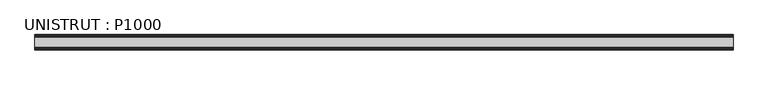
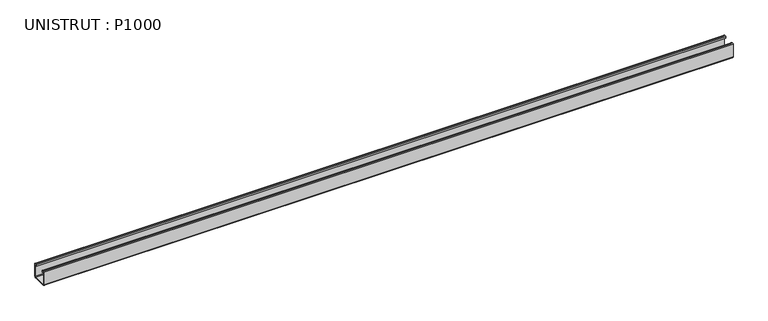
"""IFC4 building model written with IfcOpenShell, lengths in millimetres: beam geometry, UNISTRUT : P1000."""

from ifc_helpers import new_model, si_unit, point, frame, frame_2d, origin, place, context, project, spatial, polyline, circle_curve, trimmed, segment, composite_curve, outline, extrude, source, transform, mapped, element, save


def unistrut_p1000_c5f739b2(model_context):
    return source(origin(), model_context, "Body", "SweptSolid", [
        extrude(outline(composite_curve([segment(polyline([(-20.6375, -17.4273239), (-20.6375, 18.6242894)]), True, "CONTINUOUS"), segment(trimmed(circle_curve(frame_2d((-18.6242894, 18.6242894)), 2.0132106), [point((-20.6375, 18.6242894))], [point((-18.6242894, 20.6375))], False, "CARTESIAN"), True, "CONTINUOUS"), segment(polyline([(-18.6242894, 20.6375), (-16.271875, 20.6375)]), True, "CONTINUOUS"), segment(trimmed(circle_curve(frame_2d((-16.271875, 18.653125)), 1.984375), [point((-16.271875, 20.6375))], [point((-14.2875, 18.653125))], False, "CARTESIAN"), True, "CONTINUOUS"), segment(polyline([(-14.2875, 18.653125), (-14.2875, 14.7193), (-15.1804687, 14.7193), (-15.1804687, 18.653125)]), True, "CONTINUOUS"), segment(trimmed(circle_curve(frame_2d((-16.271875, 18.653125)), 1.0914062), [point((-15.1804687, 18.653125))], [point((-16.271875, 19.7445312))], True, "CARTESIAN"), True, "CONTINUOUS"), segment(polyline([(-16.271875, 19.7445312), (-18.6242894, 19.7445312)]), True, "CONTINUOUS"), segment(trimmed(circle_curve(frame_2d((-18.6242894, 18.6242894)), 1.1202418), [point((-18.6242894, 19.7445312))], [point((-19.7445312, 18.6242894))], True, "CARTESIAN"), True, "CONTINUOUS"), segment(polyline([(-19.7445312, 18.6242894), (-19.7445312, -17.4273239)]), True, "CONTINUOUS"), segment(trimmed(circle_curve(frame_2d((-17.4273239, -17.4273239)), 2.3172074), [point((-19.7445312, -17.4273239))], [point((-17.4273239, -19.7445313))], True, "CARTESIAN"), True, "CONTINUOUS"), segment(polyline([(-17.4273239, -19.7445313), (17.4655346, -19.7445313)]), True, "CONTINUOUS"), segment(trimmed(circle_curve(frame_2d((17.4655346, -17.4655346)), 2.2789966), [point((17.4655346, -19.7445313))], [point((19.7445313, -17.4655346))], True, "CARTESIAN"), True, "CONTINUOUS"), segment(polyline([(19.7445313, -17.4655346), (19.7445313, 18.653125)]), True, "CONTINUOUS"), segment(trimmed(circle_curve(frame_2d((18.653125, 18.653125)), 1.0914063), [point((19.7445313, 18.653125))], [point((18.653125, 19.7445312))], True, "CARTESIAN"), True, "CONTINUOUS"), segment(polyline([(18.653125, 19.7445312), (16.2236081, 19.7445312)]), True, "CONTINUOUS"), segment(trimmed(circle_curve(frame_2d((16.2236081, 18.7013919)), 1.0431394), [point((16.2236081, 19.7445312))], [point((15.1804688, 18.7013919))], True, "CARTESIAN"), True, "CONTINUOUS"), segment(polyline([(15.1804688, 18.7013919), (15.1804688, 14.7193), (14.2875, 14.7193), (14.2875, 18.7013919)]), True, "CONTINUOUS"), segment(trimmed(circle_curve(frame_2d((16.2236081, 18.7013919)), 1.9361081), [point((14.2875, 18.7013919))], [point((16.2236081, 20.6375))], False, "CARTESIAN"), True, "CONTINUOUS"), segment(polyline([(16.2236081, 20.6375), (18.653125, 20.6375)]), True, "CONTINUOUS"), segment(trimmed(circle_curve(frame_2d((18.653125, 18.653125)), 1.984375), [point((18.653125, 20.6375))], [point((20.6375, 18.653125))], False, "CARTESIAN"), True, "CONTINUOUS"), segment(polyline([(20.6375, 18.653125), (20.6375, -17.4655346)]), True, "CONTINUOUS"), segment(trimmed(circle_curve(frame_2d((17.4655346, -17.4655346)), 3.1719654), [point((20.6375, -17.4655346))], [point((17.4655346, -20.6375))], False, "CARTESIAN"), True, "CONTINUOUS"), segment(polyline([(17.4655346, -20.6375), (-17.4273239, -20.6375)]), True, "CONTINUOUS"), segment(trimmed(circle_curve(frame_2d((-17.4273239, -17.4273239)), 3.2101761), [point((-17.4273239, -20.6375))], [point((-20.6375, -17.4273239))], False, "CARTESIAN"), True, "CONTINUOUS")], self_intersect=False)), frame((-933.45, 0.0, 0.0), z_axis=(1.0, 0.0, 0.0), x_axis=(0.0, 1.0, 0.0)), (0.0, 0.0, 1.0), 1866.9),
    ])


if __name__ == "__main__":
    model = new_model("IFC4")
    model_context = context("Model", 3, world=origin())
    ifc_project = project(units=[si_unit("LENGTHUNIT", "METRE", prefix="MILLI")], contexts=[model_context])
    site = spatial("IfcSite", under=ifc_project)
    building = spatial("IfcBuilding", under=site)
    placement = place(None, origin())
    unistrut_p1000_shape = unistrut_p1000_c5f739b2(model_context)
    element("IfcBeam", 1, ObjectType="UNISTRUT : P1000", at=placement, inside=building, context=model_context, shape_type="MappedRepresentation", body=[
        mapped(unistrut_p1000_shape, transform((0.0, 0.0, 0.0), x_axis=(1.0, 0.0, 0.0), y_axis=(0.0, 1.0, 0.0), z_axis=(0.0, 0.0, 1.0))),
    ])
    save(model, "model.ifc")
